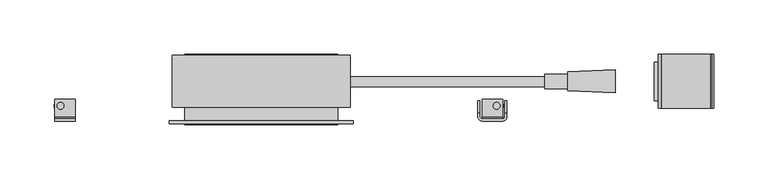
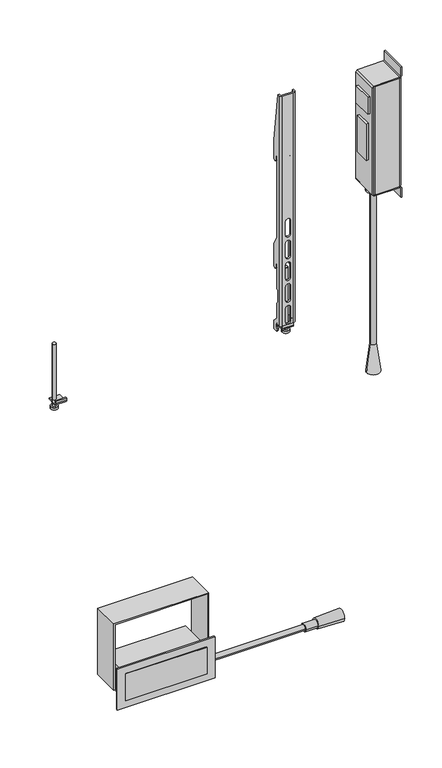
"""IFC4 building model written with IfcOpenShell, lengths in millimetres: furniture geometry."""

import ifcopenshell
import ifcopenshell.guid

model = None  # the IFC model being written
_history = None  # IfcOwnerHistory: only IFC2X3 demands one
_inside = {}  # id of a spatial element -> (the spatial element, [elements in it])
_under = {}  # id of a project, library or spatial element -> (it, [spatial elements below it])
_declared = {}  # id of a project -> (the project, [libraries it declares])
_typed = {}  # id of a type object -> (the type object, [elements of that type])
_made_of = {}  # id of a material, layer set ... -> (it, [elements and type objects made of it])


def new_model(schema):
    """Start an empty IFC model of exactly this schema.

    Asked for "IFC4X3", IfcOpenShell would pick the latest addendum, in which some entities
    have other attributes; the version numbers below select the first issue.
    IFC2X3 requires an IfcOwnerHistory on every rooted entity: one is made here for all.
    """
    global model, _history
    if schema == "IFC4X3":
        model = ifcopenshell.file(schema_version=(4, 3, 0, 0))
    else:
        model = ifcopenshell.file(schema=schema)
    _inside.clear()
    _under.clear()
    _declared.clear()
    _typed.clear()
    _made_of.clear()
    _history = None
    if model.schema == "IFC2X3":
        org = make("IfcOrganization", Name="unknown")
        user = make(
            "IfcPersonAndOrganization",
            ThePerson=make("IfcPerson", FamilyName="unknown"),
            TheOrganization=org,
        )
        app = make(
            "IfcApplication",
            ApplicationDeveloper=org,
            Version="unknown",
            ApplicationFullName="unknown",
            ApplicationIdentifier="unknown",
        )
        _history = make(
            "IfcOwnerHistory",
            OwningUser=user,
            OwningApplication=app,
            ChangeAction="ADDED",
            CreationDate=0,
        )
    return model


def make(cls, **values):
    """One entity of the class cls with the attributes given. An attribute that is None is left unset."""
    return model.create_entity(
        cls, **{name: value for name, value in values.items() if value is not None}
    )


def rooted(cls, **values):
    """An entity with a GlobalId (a new one), such as an element, a storey or a relation."""
    return make(cls, GlobalId=ifcopenshell.guid.new(), OwnerHistory=_history, **values)


def si_unit(unit_type, name, prefix=None):
    """IfcSIUnit, for example si_unit("LENGTHUNIT", "METRE", prefix="MILLI")."""
    return make("IfcSIUnit", UnitType=unit_type, Prefix=prefix, Name=name)


def assignment(units):
    """IfcUnitAssignment: the units of a project."""
    return None if units is None else make("IfcUnitAssignment", Units=units)


def point(xyz):
    """IfcCartesianPoint."""
    return None if xyz is None else make("IfcCartesianPoint", Coordinates=xyz)


def direction(xyz):
    """IfcDirection."""
    return None if xyz is None else make("IfcDirection", DirectionRatios=xyz)


def frame(location, z_axis=None, x_axis=None):
    """IfcAxis2Placement3D, a coordinate frame: its origin and axes. An axis left out is left unset."""
    return make(
        "IfcAxis2Placement3D",
        Location=point(location),
        Axis=direction(z_axis),
        RefDirection=direction(x_axis),
    )


def frame_2d(location, x_axis=None):
    """IfcAxis2Placement2D, a coordinate frame in the plane: its origin and x axis."""
    return make(
        "IfcAxis2Placement2D", Location=point(location), RefDirection=direction(x_axis)
    )


def origin():
    """The frame at (0, 0, 0) with its axes left unset."""
    return frame((0.0, 0.0, 0.0))


def place(relative_to, where):
    """IfcLocalPlacement: puts the frame where relative to a parent placement (None: the world)."""
    return make(
        "IfcLocalPlacement", PlacementRelTo=relative_to, RelativePlacement=where
    )


def context(
    kind, dimensions, precision=None, world=None, true_north=None, identifier=None
):
    """IfcGeometricRepresentationContext, for example the 3D "Model" context."""
    return make(
        "IfcGeometricRepresentationContext",
        ContextIdentifier=identifier,
        ContextType=kind,
        CoordinateSpaceDimension=dimensions,
        Precision=precision,
        WorldCoordinateSystem=world,
        TrueNorth=true_north,
    )


def project(units=None, contexts=None):
    """IfcProject with its units and contexts."""
    return rooted(
        "IfcProject",
        Name="project",
        RepresentationContexts=contexts,
        UnitsInContext=assignment(units),
    )


def spatial(cls, under=None, at=None, **own):
    """A site, building, storey or space (cls), placed at a placement, below another one or the project."""
    s = rooted(cls, ObjectPlacement=at, **own)
    if under is not None:
        _under.setdefault(under.id(), (under, []))[1].append(s)
    return s


def polyline(points):
    """IfcPolyline through the points."""
    return make("IfcPolyline", Points=[point(p) for p in points])


def circle_curve(where, radius):
    """IfcCircle in the frame where."""
    return make("IfcCircle", Position=where, Radius=radius)


def trimmed(basis, trim1, trim2, sense, master):
    """IfcTrimmedCurve: the piece of a basis curve between two trims."""
    return make(
        "IfcTrimmedCurve",
        BasisCurve=basis,
        Trim1=trim1,
        Trim2=trim2,
        SenseAgreement=sense,
        MasterRepresentation=master,
    )


def segment(curve, same_sense, transition):
    """IfcCompositeCurveSegment."""
    return make(
        "IfcCompositeCurveSegment",
        Transition=transition,
        SameSense=same_sense,
        ParentCurve=curve,
    )


def composite_curve(segments, self_intersect=None):
    """IfcCompositeCurve: segments joined end to end."""
    return make("IfcCompositeCurve", Segments=segments, SelfIntersect=self_intersect)


def outline(outer, holes=None, kind="AREA"):
    """IfcArbitraryClosedProfileDef: a profile drawn as a closed curve; with holes, ...WithVoids."""
    if holes is None:
        return make("IfcArbitraryClosedProfileDef", ProfileType=kind, OuterCurve=outer)
    return make(
        "IfcArbitraryProfileDefWithVoids",
        ProfileType=kind,
        OuterCurve=outer,
        InnerCurves=holes,
    )


def extrude(swept, where, along, depth):
    """IfcExtrudedAreaSolid: the profile swept, set in the frame where, extruded along a direction by depth."""
    return make(
        "IfcExtrudedAreaSolid",
        SweptArea=swept,
        Position=where,
        ExtrudedDirection=direction(along),
        Depth=depth,
    )


def shape(context_of_items, identifier, shape_type, items):
    """IfcShapeRepresentation: the items that make up one representation, for example the "Body"."""
    return make(
        "IfcShapeRepresentation",
        ContextOfItems=context_of_items,
        RepresentationIdentifier=identifier,
        RepresentationType=shape_type,
        Items=items,
    )


def source(mapping_origin, context_of_items, identifier, shape_type, items):
    """IfcRepresentationMap: a shape defined once, which mapped items show again and again."""
    return make(
        "IfcRepresentationMap",
        MappingOrigin=mapping_origin,
        MappedRepresentation=shape(context_of_items, identifier, shape_type, items),
    )


def transform(
    local_origin,
    x_axis=None,
    y_axis=None,
    z_axis=None,
    scale=None,
    scale2=None,
    scale3=None,
    uniform=True,
):
    """IfcCartesianTransformationOperator3D, or its non-uniform kind. x_axis, y_axis, z_axis: its Axis1, 2, 3."""
    if uniform:
        return make(
            "IfcCartesianTransformationOperator3D",
            Axis1=direction(x_axis),
            Axis2=direction(y_axis),
            LocalOrigin=point(local_origin),
            Scale=scale,
            Axis3=direction(z_axis),
        )
    return make(
        "IfcCartesianTransformationOperator3DnonUniform",
        Axis1=direction(x_axis),
        Axis2=direction(y_axis),
        LocalOrigin=point(local_origin),
        Scale=scale,
        Axis3=direction(z_axis),
        Scale2=scale2,
        Scale3=scale3,
    )


def mapped(mapping_source, mapping_target):
    """IfcMappedItem: shows the shape of a source again, moved by a transform."""
    return make(
        "IfcMappedItem", MappingSource=mapping_source, MappingTarget=mapping_target
    )


def made_of(thing, what):
    """Note that an element or type object is made of a material, layer set ...; save() writes the relation."""
    if what is not None:
        _made_of.setdefault(what.id(), (what, []))[1].append(thing)
    return thing


def element(
    cls,
    number,
    at=None,
    inside=None,
    cuts=None,
    type_object=None,
    material=None,
    context=None,
    identifier="Body",
    shape_type=None,
    held_by="IfcProductDefinitionShape",
    body=None,
    shapes=None,
    **own,
):
    """One element of the class cls, such as IfcWall. Its Tag is "e" and its number.

    at: its placement. inside: the storey or other place that contains it. cuts: it is an
    opening in that element (IfcRelVoidsElement). A single representation is given by context,
    identifier, shape_type and body (its items); several are given by shapes. held_by: the class
    of the entity that holds the representations. save() writes the other relations.
    """
    e = rooted(cls, Tag="e%d" % number, ObjectPlacement=at, **own)
    if body is not None:
        shapes = [shape(context, identifier, shape_type, body)]
    if shapes is not None:
        e.Representation = make(held_by, Representations=shapes)
    if inside is not None:
        _inside.setdefault(inside.id(), (inside, []))[1].append(e)
    if cuts is not None:
        rooted(
            "IfcRelVoidsElement", RelatingBuildingElement=cuts, RelatedOpeningElement=e
        )
    if type_object is not None:
        _typed.setdefault(type_object.id(), (type_object, []))[1].append(e)
    return made_of(e, material)


def aggregate(whole, parts):
    """IfcRelAggregates: a whole, such as a stair, and the parts it consists of."""
    return rooted("IfcRelAggregates", RelatingObject=whole, RelatedObjects=parts)


def save(model, path):
    """Write the relations noted so far, then the file.

    IfcRelAggregates (storeys below a building ...), IfcRelContainedInSpatialStructure (elements
    in a storey), IfcRelDefinesByType, IfcRelAssociatesMaterial and IfcRelDeclares: one each for
    every whole, place, type object, material and project.
    """
    for whole, parts in _under.values():
        aggregate(whole, parts)
    for where, things in _inside.values():
        rooted(
            "IfcRelContainedInSpatialStructure",
            RelatedElements=things,
            RelatingStructure=where,
        )
    for kind, things in _typed.values():
        rooted("IfcRelDefinesByType", RelatedObjects=things, RelatingType=kind)
    for what, things in _made_of.values():
        rooted("IfcRelAssociatesMaterial", RelatedObjects=things, RelatingMaterial=what)
    for by, libraries in _declared.values():
        rooted("IfcRelDeclares", RelatingContext=by, RelatedDefinitions=libraries)
    model.write(path)


def plane_surface(at):
    """IfcPlane: the flat surface through the origin of the frame at, square to its z axis."""
    return make("IfcPlane", Position=at)


def cylinder_surface(at, radius):
    """IfcCylindricalSurface: all points at the distance radius from the z axis of the frame at."""
    return make("IfcCylindricalSurface", Position=at, Radius=radius)


def revolved_surface(curve, axis_point, axis_direction):
    """IfcSurfaceOfRevolution: the curve turned about the line through axis_point along axis_direction."""
    return make(
        "IfcSurfaceOfRevolution",
        SweptCurve=make("IfcArbitraryOpenProfileDef", ProfileType="CURVE", Curve=curve),
        AxisPosition=make("IfcAxis1Placement", Location=point(axis_point), Axis=direction(axis_direction)),
    )


def advanced_brep(points, edges, surfaces, faces):
    """IfcAdvancedBrep: a solid bounded by faces that lie on surfaces and meet in shared edges.

    An edge is (start, end): straight between two places in points (the first is 0);
    or (start, end, curve); or (start, end, curve, False) where it runs against its curve.
    A face is (place in surfaces, loops), or (place, loops, False) where it looks against
    its surface's normal. A loop lists edges by number (the first is 1), with a minus sign
    where the edge is run from its end to its start. The first loop is the outer one.
    """
    corners = [point(p) for p in points]
    vertices = [make("IfcVertexPoint", VertexGeometry=c) for c in corners]
    made = []
    for start, end, *more in edges:
        made.append(
            make(
                "IfcEdgeCurve",
                EdgeStart=vertices[start],
                EdgeEnd=vertices[end],
                EdgeGeometry=more[0] if more else make("IfcPolyline", Points=[corners[start], corners[end]]),
                SameSense=more[1] if len(more) > 1 else True,
            )
        )
    hull = []
    for where, loops, *sense in faces:
        bounds = []
        for j, loop in enumerate(loops):
            ring = [make("IfcOrientedEdge", EdgeElement=made[abs(k) - 1], Orientation=k > 0) for k in loop]
            bounds.append(
                make(
                    "IfcFaceOuterBound" if j == 0 else "IfcFaceBound",
                    Bound=make("IfcEdgeLoop", EdgeList=ring),
                    Orientation=True,
                )
            )
        hull.append(make("IfcAdvancedFace", Bounds=bounds, FaceSurface=surfaces[where], SameSense=sense[0] if sense else True))
    return make("IfcAdvancedBrep", Outer=make("IfcClosedShell", CfsFaces=hull))


def furniture_7c44034b(model_context):
    return source(origin(), model_context, "Body", "SolidModel", [
        advanced_brep(
        [(309.111625, 10.6200265, 394.7194387), (309.111625, -10.6200265, 394.7194387), (264.9176373, 8.7659933, 394.7194387), (264.9176373, -8.7659933, 394.7194387)],
        [
            (0, 1, circle_curve(frame((309.111625, 0.0, 394.7194387), z_axis=(1.0, 0.0, 0.0), x_axis=(0.0, 1.0, 0.0)), 10.6200265)),
            (1, 0, circle_curve(frame((309.111625, 0.0, 394.7194387), z_axis=(1.0, 0.0, 0.0), x_axis=(0.0, -1.0, 0.0)), 10.6200265)),
            (2, 3, circle_curve(frame((264.9176373, 0.0, 394.7194387), z_axis=(-1.0, 0.0, 0.0), x_axis=(0.0, -1.0, 0.0)), 8.7659933)),
            (3, 2, circle_curve(frame((264.9176373, 0.0, 394.7194387), z_axis=(-1.0, 0.0, 0.0), x_axis=(0.0, 1.0, 0.0)), 8.7659933)),
            (3, 1),
            (0, 2),
        ],
        [
            plane_surface(frame((309.111625, 0.0, 394.7194387), z_axis=(1.0, 0.0, 0.0), x_axis=(0.0, 0.0, 1.0))),
            plane_surface(frame((264.9176373, 0.0, 394.7194387), z_axis=(-1.0, 0.0, 0.0), x_axis=(0.0, 0.0, 1.0))),
            revolved_surface(polyline([(264.9176373, -8.765993322931362, 394.7194387), (309.111625, -10.6200265, 394.7194387)]), (55.9654967, 0.0, 394.7194387), (1.0, 0.0, 0.0)),
            revolved_surface(polyline([(264.9176373, 8.765993322931362, 394.7194387), (309.111625, 10.6200265, 394.7194387)]), (55.9654967, 0.0, 394.7194387), (1.0, 0.0, 0.0)),
        ],
        [
            (0, [[1, 2]]),
            (1, [[3, 4]]),
            (2, [[-4, 5, -1, 6]]),
            (3, [[-3, -6, -2, -5]]),
        ],
    ),
        extrude(outline(composite_curve([segment(trimmed(circle_curve(frame_2d((-0.3825454, 394.7194387)), 6.6512948), [point((6.2687494, 394.7194387))], [point((-7.0338402, 394.7194387))], False, "CARTESIAN"), True, "CONTINUOUS"), segment(trimmed(circle_curve(frame_2d((-0.3825454, 394.7194387)), 6.6512948), [point((-7.0338402, 394.7194387))], [point((6.2687494, 394.7194387))], False, "CARTESIAN"), True, "CONTINUOUS")], self_intersect=False)), frame((243.8698224, 0.0, 0.0), z_axis=(1.0, 0.0, 0.0), x_axis=(0.0, 1.0, 0.0)), (0.0, 0.0, 1.0), 21.057908),
        extrude(outline(composite_curve([segment(polyline([(401.3390565, -56.9301764), (401.3390565, -76.4881759), (391.3920619, -76.4881759)]), True, "CONTINUOUS"), segment(trimmed(circle_curve(frame_2d((391.3920619, -70.1381638)), 6.3500121), [point((391.3920619, -76.4881759))], [point((385.0420498, -70.1381638))], False, "CARTESIAN"), True, "CONTINUOUS"), segment(polyline([(385.0420498, -70.1381638), (385.0420498, -56.9301764), (401.3390565, -56.9301764)]), True, "CONTINUOUS")], self_intersect=False)), frame((0.0, -8.2000672, 0.0), z_axis=(0.0, 1.0, 0.0), x_axis=(0.0, 0.0, 1.0)), (0.0, 0.0, 1.0), 15.6350433),
        extrude(outline(composite_curve([segment(trimmed(circle_curve(frame_2d((-0.3825454, 394.7194387)), 4.6736249), [point((4.2910794, 394.7194387))], [point((-5.0561703, 394.7194387))], False, "CARTESIAN"), True, "CONTINUOUS"), segment(trimmed(circle_curve(frame_2d((-0.3825454, 394.7194387)), 4.6736249), [point((-5.0561703, 394.7194387))], [point((4.2910794, 394.7194387))], False, "CARTESIAN"), True, "CONTINUOUS")], self_intersect=False)), frame((-56.9301764, 0.0, 0.0), z_axis=(1.0, 0.0, 0.0), x_axis=(0.0, 1.0, 0.0)), (0.0, 0.0, 1.0), 300.7999989),
        extrude(outline(polyline([(414.1740652, -98.9364787), (534.1740443, -98.9364787), (534.1740443, 62.0635233), (414.1740652, 62.0635233), (414.1740652, 64.0635284), (536.1740676, 64.0635284), (536.1740676, -100.9364838), (414.1740652, -100.9364838), (414.1740652, -98.9364787)])), frame((0.0, -23.9999999, 0.0), z_axis=(0.0, 1.0, 0.0), x_axis=(0.0, 0.0, 1.0)), (0.0, 0.0, 1.0), 47.9999998),
        extrude(outline(polyline([(52.3415195, -40.0899994), (-89.2144749, -40.0899994), (-89.2144749, 24.7983751), (52.3415195, 24.7983751), (52.3415195, -40.0899994)])), frame((0.0, 0.0, 400.5890659), z_axis=(0.0, 0.0, 1.0), x_axis=(1.0, 0.0, 0.0)), (0.0, 0.0, 1.0), 49.1700002),
        extrude(outline(polyline([(66.5635211, -39.0900013), (-103.4364765, -39.0900013), (-103.4364765, -36.4399996), (66.5635211, -36.4399996), (66.5635211, -39.0900013)])), frame((0.0, 0.0, 387.1740417), z_axis=(0.0, 0.0, 1.0), x_axis=(1.0, 0.0, 0.0)), (0.0, 0.0, 1.0), 76.0000122),
        extrude(outline(polyline([(348.8444832, 17.5999999), (348.8444832, -17.9636269), (345.3445152, -17.9636269), (345.3445152, 17.5999999), (348.8444832, 17.5999999)])), frame((0.0, 0.0, 1314.6940985), z_axis=(0.0, 0.0, 1.0), x_axis=(1.0, 0.0, 0.0)), (0.0, 0.0, 1.0), 31.1999851),
        extrude(outline(polyline([(348.8444832, 13.5000004), (348.8444832, -13.5000004), (345.3445152, -13.5000004), (345.3445152, 13.5000004), (348.8444832, 13.5000004)])), frame((0.0, 0.0, 1227.1440645), z_axis=(0.0, 0.0, 1.0), x_axis=(1.0, 0.0, 0.0)), (0.0, 0.0, 1.0), 66.9999802),
        extrude(outline(composite_curve([segment(trimmed(circle_curve(frame_2d((364.8100633, 0.0)), 11.4644315), [point((353.3456319, 0.0))], [point((376.2744948, 0.0))], False, "CARTESIAN"), True, "CONTINUOUS"), segment(trimmed(circle_curve(frame_2d((364.8100633, 0.0)), 11.4644315), [point((376.2744948, 0.0))], [point((353.3456319, 0.0))], False, "CARTESIAN"), True, "CONTINUOUS")], self_intersect=False)), frame((0.0, 0.0, 1158.2550282), z_axis=(0.0, 0.0, 1.0), x_axis=(1.0, 0.0, 0.0)), (0.0, 0.0, 1.0), 7.6200291),
        extrude(outline(composite_curve([segment(trimmed(circle_curve(frame_2d((364.9080803, 0.0)), 4.8618508), [point((360.0462294, 0.0))], [point((369.7699311, 0.0))], False, "CARTESIAN"), True, "CONTINUOUS"), segment(trimmed(circle_curve(frame_2d((364.9080803, 0.0)), 4.8618508), [point((369.7699311, 0.0))], [point((360.0462294, 0.0))], False, "CARTESIAN"), True, "CONTINUOUS")], self_intersect=False)), frame((0.0, 0.0, 876.1550234), z_axis=(0.0, 0.0, 1.0), x_axis=(1.0, 0.0, 0.0)), (0.0, 0.0, 1.0), 282.1000048),
        extrude(outline(polyline([(1164.3560366, 400.3635043), (1167.3940779, 397.3254993), (1167.3940779, 351.8824882), (1168.9130259, 350.3635039), (1365.8749861, 350.3635039), (1367.3940794, 351.8824882), (1367.3940794, 397.3254993), (1370.4321207, 400.3635043), (1387.3940214, 400.3635043), (1387.3940214, 398.8444836), (1370.4321207, 398.8444836), (1368.9130274, 397.3254993), (1368.9130274, 351.8824882), (1365.8749861, 348.8444832), (1168.9130259, 348.8444832), (1165.8750572, 351.8824882), (1165.8750572, 397.3254993), (1164.3560366, 398.8444836), (1147.3940632, 398.8444836), (1147.3940632, 400.3635043), (1164.3560366, 400.3635043)])), frame((0.0, -25.0000002, 0.0), z_axis=(0.0, 1.0, 0.0), x_axis=(0.0, 0.0, 1.0)), (0.0, 0.0, 1.0), 50.0000004),
        extrude(outline(polyline([(400.3635043, -21.9619998), (397.3254993, -25.0000002), (353.4015089, -25.0000002), (350.3635039, -21.9619998), (350.3635039, 21.9619998), (353.4015089, 25.0000002), (397.3254993, 25.0000002), (400.3635043, 21.9619998), (400.3635043, -21.9619998)])), frame((0.0, 0.0, 1167.769055), z_axis=(0.0, 0.0, 1.0), x_axis=(1.0, 0.0, 0.0)), (0.0, 0.0, 1.0), 199.2500473),
        advanced_brep(
        [(353.5416657, 0.0, 825.3550718), (376.2744948, 0.0, 825.3550718), (360.0462294, 0.0, 876.1550234), (369.7699311, 0.0, 876.1550234)],
        [
            (0, 1, circle_curve(frame((364.9080803, 0.0, 825.3550718), z_axis=(0.0, 0.0, -1.0), x_axis=(-1.0, 0.0, 0.0)), 11.3664146)),
            (1, 0, circle_curve(frame((364.9080803, 0.0, 825.3550718), z_axis=(0.0, 0.0, -1.0), x_axis=(1.0, 0.0, 0.0)), 11.3664146)),
            (2, 3, circle_curve(frame((364.9080803, 0.0, 876.1550234), z_axis=(0.0, 0.0, 1.0), x_axis=(1.0, 0.0, 0.0)), 4.8618508)),
            (3, 2, circle_curve(frame((364.9080803, 0.0, 876.1550234), z_axis=(0.0, 0.0, 1.0), x_axis=(-1.0, 0.0, 0.0)), 4.8618508)),
            (2, 0),
            (1, 3),
        ],
        [
            plane_surface(frame((364.9080803, 0.0, 825.3550718), z_axis=(0.0, 0.0, -1.0), x_axis=(0.0, -1.0, 0.0))),
            plane_surface(frame((364.9080803, 0.0, 876.1550234), z_axis=(0.0, 0.0, 1.0), x_axis=(0.0, -1.0, 0.0))),
            revolved_surface(polyline([(360.0462294598259, 0.0, 876.1550234), (353.5416657, 0.0, 825.3550718)]), (364.9080803, 0.0, 914.1255617), (0.0, 0.0, -1.0)),
            revolved_surface(polyline([(369.7699310974003, 0.0, 876.1550234), (376.2744948, 0.0, 825.3550718)]), (364.9080803, 0.0, 914.1255617), (0.0, 0.0, -1.0)),
        ],
        [
            (0, [[1, 2]]),
            (1, [[3, 4]]),
            (2, [[-3, 5, -2, 6]]),
            (3, [[-4, -6, -1, -5]]),
        ],
    ),
        extrude(outline(composite_curve([segment(polyline([(-36.9636277, 991.8279774), (-34.9636271, 991.8279774), (-34.9636271, 987.8279081)]), True, "CONTINUOUS"), segment(trimmed(circle_curve(frame_2d((-32.9636266, 987.8279081)), 2.0000006), [point((-34.9636271, 987.8279081))], [point((-32.9636266, 985.8279076))], True, "CARTESIAN"), True, "CONTINUOUS"), segment(polyline([(-32.9636266, 985.8279076), (-16.9636278, 985.8279076), (-16.9636278, 983.827957), (-32.9636266, 983.827957)]), True, "CONTINUOUS"), segment(trimmed(circle_curve(frame_2d((-32.9636266, 987.8279581)), 4.0000011), [point((-32.9636266, 983.827957))], [point((-36.9636277, 987.8279581))], False, "CARTESIAN"), True, "CONTINUOUS"), segment(polyline([(-36.9636277, 987.8279581), (-36.9636277, 991.8279774)]), True, "CONTINUOUS")], self_intersect=False)), frame((-209.6576124, 0.0, 0.0), z_axis=(1.0, 0.0, 0.0), x_axis=(0.0, 1.0, 0.0)), (0.0, 0.0, 1.0), 19.0000031),
        extrude(outline(composite_curve([segment(trimmed(circle_curve(frame_2d((-204.1576029, -22.8036272)), 3.1749879), [point((-207.3325908, -22.8036272))], [point((-200.9826151, -22.8036272))], False, "CARTESIAN"), True, "CONTINUOUS"), segment(trimmed(circle_curve(frame_2d((-204.1576029, -22.8036272)), 3.1749879), [point((-200.9826151, -22.8036272))], [point((-207.3325908, -22.8036272))], False, "CARTESIAN"), True, "CONTINUOUS")], self_intersect=False)), frame((0.0, 0.0, 973.8279133), z_axis=(0.0, 0.0, 1.0), x_axis=(1.0, 0.0, 0.0)), (0.0, 0.0, 1.0), 114.3),
        advanced_brep(
        [(181.8882982, -32.9636356, 1415.6279085), (185.8882902, -36.9636277, 1415.6279085), (204.8882842, -36.9636277, 1415.6279085), (208.8882853, -32.9636266, 1415.6279085), (208.8882853, -29.9636247, 1415.6279085), (206.8882984, -29.9636247, 1415.6279085), (206.8882984, -32.9636266, 1415.6279085), (204.8882978, -34.9636271, 1415.6279085), (185.8882902, -34.9636271, 1415.6279085), (183.8882851, -32.963622, 1415.6279085), (183.8882851, -29.9636247, 1415.6279085), (181.8882982, -29.9636247, 1415.6279085), (206.8882984, -17.9636269, 977.3279177), (208.8882853, -17.9636269, 977.3279177), (208.8882853, -24.9636266, 977.3279177), (206.8882984, -24.9636266, 977.3279177), (181.8882982, -17.9636269, 977.3279177), (183.8882851, -17.9636269, 977.3279177), (183.8882851, -24.9636266, 977.3279177), (181.8882982, -24.9636266, 977.3279177), (181.8882982, -17.9636269, 1325.6279783), (181.8882982, -17.9636269, 1291.4779284), (181.8882982, -23.4636273, 1291.4779284), (181.8882982, -23.4636273, 1299.7278608), (181.8882982, -26.4636259, 1299.7278608), (181.8882982, -26.4636259, 1149.7279041), (181.8882982, -17.9636269, 1135.0055308), (181.8882982, -17.9636269, 1093.4779501), (181.8882982, -23.4636273, 1093.4779501), (181.8882982, -23.4636273, 1101.7279552), (181.8882982, -26.4636259, 1101.7279552), (181.8882982, -26.4636259, 1055.2279593), (181.8882982, -29.4636267, 1055.2279593), (181.8882982, -29.4636267, 1033.1510365), (181.8882982, -26.4636259, 1029.7697004), (181.8882982, -26.4636259, 1001.7278977), (181.8882982, -17.9636269, 993.2278975), (181.8882982, -26.9636272, 979.3279182), (181.8882982, -26.9636272, 983.3279148), (181.8882982, -22.963626, 983.3279148), (181.8882982, -22.963626, 987.8279308), (181.8882982, -26.9636726, 991.8279774), (181.8882982, -32.9636356, 991.8279774), (183.8882851, -17.9636269, 993.2278975), (183.8882851, -17.9636269, 1325.6279783), (183.8882851, -17.9636269, 1291.4779284), (183.8882851, -17.9636269, 1135.0055308), (183.8882851, -17.9636269, 1093.4779501), (183.8882851, -32.963622, 991.8279774), (183.8882851, -26.9636726, 991.8279774), (183.8882851, -22.963626, 987.8279308), (183.8882851, -22.963626, 983.3279148), (183.8882851, -26.9636272, 983.3279148), (183.8882851, -26.9636272, 979.3279182), (183.8882851, -26.4636259, 1001.7278977), (183.8882851, -26.4636259, 1029.7697004), (183.8882851, -29.4636267, 1033.1510365), (183.8882851, -29.4636267, 1055.2279593), (183.8882851, -26.4636259, 1055.2279593), (183.8882851, -26.4636259, 1101.7279552), (183.8882851, -23.4636273, 1101.7279552), (183.8882851, -23.4636273, 1093.4779501), (183.8882851, -26.4636259, 1149.7279041), (183.8882851, -26.4636259, 1299.7278608), (183.8882851, -23.4636273, 1299.7278608), (183.8882851, -23.4636273, 1291.4779284), (185.8882902, -34.9636271, 991.8279774), (204.8882978, -34.9636271, 991.8279774), (191.1382968, -34.9636271, 1182.2279108), (191.1382968, -34.9636271, 1157.4278984), (199.6382867, -34.9636271, 1157.4278984), (199.6382867, -34.9636271, 1182.2279108), (191.1382968, -34.9636271, 1142.2279541), (191.1382968, -34.9636271, 1117.4279417), (199.6382867, -34.9636271, 1117.4279417), (199.6382867, -34.9636271, 1142.2279541), (191.1382968, -34.9636271, 1102.2279247), (191.1382968, -34.9636271, 1077.4279123), (199.6382867, -34.9636271, 1077.4279123), (199.6382867, -34.9636271, 1102.2279247), (191.1382968, -34.9636271, 1062.2278954), (191.1382968, -34.9636271, 1037.427883), (199.6382867, -34.9636271, 1037.427883), (199.6382867, -34.9636271, 1062.2278954), (191.1382968, -34.9636271, 1022.2279387), (191.1382968, -34.9636271, 997.4279263), (199.6382867, -34.9636271, 997.4279263), (199.6382867, -34.9636271, 1022.2279387), (206.8882984, -32.9636266, 991.8279774), (206.8882984, -17.9636269, 1325.6279783), (206.8882984, -17.9636269, 1291.4779284), (206.8882984, -23.4636273, 1291.4779284), (206.8882984, -23.4636273, 1299.7278608), (206.8882984, -26.4636259, 1299.7278608), (206.8882984, -26.4636259, 1149.7279041), (206.8882984, -17.9636269, 1135.0055308), (206.8882984, -17.9636269, 1093.4779501), (206.8882984, -23.4636273, 1093.4779501), (206.8882984, -23.4636273, 1101.7279552), (206.8882984, -26.4636259, 1101.7279552), (206.8882984, -26.4636259, 1055.2279593), (206.8882984, -29.4636267, 1055.2279593), (206.8882984, -29.4636267, 1033.1510365), (206.8882984, -26.4636259, 1029.7697004), (206.8882984, -26.4636259, 1001.7278977), (206.8882984, -17.9636269, 993.2278975), (206.8882984, -26.9636272, 979.3279182), (206.8882984, -26.9636272, 983.3279148), (206.8882984, -22.963626, 983.3279148), (206.8882984, -22.963626, 987.8279308), (206.8882984, -26.9636726, 991.8279774), (208.8882853, -17.9636269, 993.2278975), (208.8882853, -17.9636269, 1325.6279783), (208.8882853, -17.9636269, 1291.4779284), (208.8882853, -17.9636269, 1135.0055308), (208.8882853, -17.9636269, 1093.4779501), (208.8882853, -32.9636266, 991.8279774), (208.8882853, -26.9636726, 991.8279774), (208.8882853, -22.963626, 987.8279308), (208.8882853, -22.963626, 983.3279148), (208.8882853, -26.9636272, 983.3279148), (208.8882853, -26.9636272, 979.3279182), (208.8882853, -26.4636259, 1001.7278977), (208.8882853, -26.4636259, 1029.7697004), (208.8882853, -29.4636267, 1033.1510365), (208.8882853, -29.4636267, 1055.2279593), (208.8882853, -26.4636259, 1055.2279593), (208.8882853, -26.4636259, 1101.7279552), (208.8882853, -23.4636273, 1101.7279552), (208.8882853, -23.4636273, 1093.4779501), (208.8882853, -26.4636259, 1149.7279041), (208.8882853, -26.4636259, 1299.7278608), (208.8882853, -23.4636273, 1299.7278608), (208.8882853, -23.4636273, 1291.4779284), (204.8882842, -36.9636277, 991.8279774), (185.8882902, -36.9636277, 991.8279774), (191.1382968, -36.9636277, 1157.4278984), (191.1382968, -36.9636277, 1182.2279108), (199.6382867, -36.9636277, 1182.2279108), (199.6382867, -36.9636277, 1157.4278984), (191.1382968, -36.9636277, 1117.4279417), (191.1382968, -36.9636277, 1142.2279541), (199.6382867, -36.9636277, 1142.2279541), (199.6382867, -36.9636277, 1117.4279417), (191.1382968, -36.9636277, 1077.4279123), (191.1382968, -36.9636277, 1102.2279247), (199.6382867, -36.9636277, 1102.2279247), (199.6382867, -36.9636277, 1077.4279123), (191.1382968, -36.9636277, 1037.427883), (191.1382968, -36.9636277, 1062.2278954), (199.6382867, -36.9636277, 1062.2278954), (199.6382867, -36.9636277, 1037.427883), (191.1382968, -36.9636277, 997.4279263), (191.1382968, -36.9636277, 1022.2279387), (199.6382867, -36.9636277, 1022.2279387), (199.6382867, -36.9636277, 997.4279263)],
        [
            (0, 1, circle_curve(frame((185.8882902, -32.9636356, 1415.6279085), z_axis=(0.0, 0.0, 1.0), x_axis=(-1.0, 0.0, 0.0)), 3.999992)),
            (1, 2),
            (2, 3, circle_curve(frame((204.8882842, -32.9636266, 1415.6279085), z_axis=(0.0, 0.0, 1.0), x_axis=(-1.0, 0.0, 0.0)), 4.0000011)),
            (3, 4),
            (4, 5),
            (5, 6),
            (6, 7, circle_curve(frame((204.8882978, -32.9636266, 1415.6279085), z_axis=(0.0, 0.0, -1.0), x_axis=(-1.0, 0.0, 0.0)), 2.0000006)),
            (7, 8),
            (8, 9, circle_curve(frame((185.8882902, -32.963622, 1415.6279085), z_axis=(0.0, 0.0, -1.0), x_axis=(-1.0, 0.0, 0.0)), 2.0000051)),
            (9, 10),
            (10, 11),
            (11, 0),
            (12, 13),
            (13, 14),
            (14, 15),
            (15, 12),
            (16, 17),
            (17, 18),
            (18, 19),
            (19, 16),
            (11, 20),
            (20, 21),
            (21, 22, circle_curve(frame((181.8882982, -20.7136271, 1291.4779284), z_axis=(-1.0, 0.0, 0.0), x_axis=(0.0, -1.0, 0.0)), 2.7500002)),
            (22, 23),
            (23, 24),
            (24, 25),
            (25, 26),
            (26, 27),
            (27, 28, circle_curve(frame((181.8882982, -20.7136271, 1093.4779501), z_axis=(-1.0, 0.0, 0.0), x_axis=(0.0, -1.0, 0.0)), 2.7500002)),
            (28, 29),
            (29, 30),
            (30, 31),
            (31, 32),
            (32, 33),
            (33, 34),
            (34, 35),
            (35, 36),
            (36, 16),
            (19, 37, circle_curve(frame((181.8882982, -24.9636266, 979.3279182), z_axis=(-1.0, 0.0, 0.0), x_axis=(0.0, -1.0, 0.0)), 2.0000006)),
            (37, 38),
            (38, 39),
            (39, 40),
            (40, 41, circle_curve(frame((181.8882982, -26.9636726, 987.8279308), z_axis=(1.0, 0.0, 0.0), x_axis=(0.0, -1.0, 0.0)), 4.0000465)),
            (41, 42),
            (42, 0),
            (36, 43),
            (43, 17),
            (20, 44),
            (44, 45),
            (45, 21),
            (26, 46),
            (46, 47),
            (47, 27),
            (9, 48),
            (48, 49),
            (49, 50, circle_curve(frame((183.8882851, -26.9636726, 987.8279308), z_axis=(-1.0, 0.0, 0.0), x_axis=(0.0, -1.0, 0.0)), 4.0000465)),
            (50, 51),
            (51, 52),
            (52, 53),
            (53, 18, circle_curve(frame((183.8882851, -24.9636266, 979.3279182), z_axis=(1.0, 0.0, 0.0), x_axis=(0.0, -1.0, 0.0)), 2.0000006)),
            (43, 54),
            (54, 55),
            (55, 56),
            (56, 57),
            (57, 58),
            (58, 59),
            (59, 60),
            (60, 61),
            (61, 47, circle_curve(frame((183.8882851, -20.7136271, 1093.4779501), z_axis=(1.0, 0.0, 0.0), x_axis=(0.0, -1.0, 0.0)), 2.7500002)),
            (46, 62),
            (62, 63),
            (63, 64),
            (64, 65),
            (65, 45, circle_curve(frame((183.8882851, -20.7136271, 1291.4779284), z_axis=(1.0, 0.0, 0.0), x_axis=(0.0, -1.0, 0.0)), 2.7500002)),
            (44, 10),
            (8, 66),
            (66, 48, circle_curve(frame((185.8882902, -32.963622, 991.8279774), z_axis=(0.0, 0.0, -1.0), x_axis=(-1.0, 0.0, 0.0)), 2.0000051)),
            (7, 67),
            (67, 66),
            (68, 69),
            (69, 70, circle_curve(frame((195.3882917, -34.9636271, 1157.4278984), z_axis=(0.0, -1.0, 0.0), x_axis=(-1.0, 0.0, 0.0)), 4.2499949)),
            (70, 71),
            (71, 68, circle_curve(frame((195.3882917, -34.9636271, 1182.2279108), z_axis=(0.0, -1.0, 0.0), x_axis=(-1.0, 0.0, 0.0)), 4.2499949)),
            (72, 73),
            (73, 74, circle_curve(frame((195.3882917, -34.9636271, 1117.4279417), z_axis=(0.0, -1.0, 0.0), x_axis=(-1.0, 0.0, 0.0)), 4.2499949)),
            (74, 75),
            (75, 72, circle_curve(frame((195.3882917, -34.9636271, 1142.2279541), z_axis=(0.0, -1.0, 0.0), x_axis=(-1.0, 0.0, 0.0)), 4.2499949)),
            (76, 77),
            (77, 78, circle_curve(frame((195.3882917, -34.9636271, 1077.4279123), z_axis=(0.0, -1.0, 0.0), x_axis=(-1.0, 0.0, 0.0)), 4.2499949)),
            (78, 79),
            (79, 76, circle_curve(frame((195.3882917, -34.9636271, 1102.2279247), z_axis=(0.0, -1.0, 0.0), x_axis=(-1.0, 0.0, 0.0)), 4.2499949)),
            (80, 81),
            (81, 82, circle_curve(frame((195.3882917, -34.9636271, 1037.427883), z_axis=(0.0, -1.0, 0.0), x_axis=(-1.0, 0.0, 0.0)), 4.2499949)),
            (82, 83),
            (83, 80, circle_curve(frame((195.3882917, -34.9636271, 1062.2278954), z_axis=(0.0, -1.0, 0.0), x_axis=(-1.0, 0.0, 0.0)), 4.2499949)),
            (84, 85),
            (85, 86, circle_curve(frame((195.3882917, -34.9636271, 997.4279263), z_axis=(0.0, -1.0, 0.0), x_axis=(-1.0, 0.0, 0.0)), 4.2499949)),
            (86, 87),
            (87, 84, circle_curve(frame((195.3882917, -34.9636271, 1022.2279387), z_axis=(0.0, -1.0, 0.0), x_axis=(-1.0, 0.0, 0.0)), 4.2499949)),
            (6, 88),
            (88, 67, circle_curve(frame((204.8882978, -32.9636266, 991.8279774), z_axis=(0.0, 0.0, -1.0), x_axis=(-1.0, 0.0, 0.0)), 2.0000006)),
            (5, 89),
            (89, 90),
            (90, 91, circle_curve(frame((206.8882984, -20.7136271, 1291.4779284), z_axis=(-1.0, 0.0, 0.0), x_axis=(0.0, -1.0, 0.0)), 2.7500002)),
            (91, 92),
            (92, 93),
            (93, 94),
            (94, 95),
            (95, 96),
            (96, 97, circle_curve(frame((206.8882984, -20.7136271, 1093.4779501), z_axis=(-1.0, 0.0, 0.0), x_axis=(0.0, -1.0, 0.0)), 2.7500002)),
            (97, 98),
            (98, 99),
            (99, 100),
            (100, 101),
            (101, 102),
            (102, 103),
            (103, 104),
            (104, 105),
            (105, 12),
            (15, 106, circle_curve(frame((206.8882984, -24.9636266, 979.3279182), z_axis=(-1.0, 0.0, 0.0), x_axis=(0.0, -1.0, 0.0)), 2.0000006)),
            (106, 107),
            (107, 108),
            (108, 109),
            (109, 110, circle_curve(frame((206.8882984, -26.9636726, 987.8279308), z_axis=(1.0, 0.0, 0.0), x_axis=(0.0, -1.0, 0.0)), 4.0000465)),
            (110, 88),
            (105, 111),
            (111, 13),
            (89, 112),
            (112, 113),
            (113, 90),
            (95, 114),
            (114, 115),
            (115, 96),
            (3, 116),
            (116, 117),
            (117, 118, circle_curve(frame((208.8882853, -26.9636726, 987.8279308), z_axis=(-1.0, 0.0, 0.0), x_axis=(0.0, -1.0, 0.0)), 4.0000465)),
            (118, 119),
            (119, 120),
            (120, 121),
            (121, 14, circle_curve(frame((208.8882853, -24.9636266, 979.3279182), z_axis=(1.0, 0.0, 0.0), x_axis=(0.0, -1.0, 0.0)), 2.0000006)),
            (111, 122),
            (122, 123),
            (123, 124),
            (124, 125),
            (125, 126),
            (126, 127),
            (127, 128),
            (128, 129),
            (129, 115, circle_curve(frame((208.8882853, -20.7136271, 1093.4779501), z_axis=(1.0, 0.0, 0.0), x_axis=(0.0, -1.0, 0.0)), 2.7500002)),
            (114, 130),
            (130, 131),
            (131, 132),
            (132, 133),
            (133, 113, circle_curve(frame((208.8882853, -20.7136271, 1291.4779284), z_axis=(1.0, 0.0, 0.0), x_axis=(0.0, -1.0, 0.0)), 2.7500002)),
            (112, 4),
            (2, 134),
            (134, 116, circle_curve(frame((204.8882842, -32.9636266, 991.8279774), z_axis=(0.0, 0.0, 1.0), x_axis=(-1.0, 0.0, 0.0)), 4.0000011)),
            (1, 135),
            (135, 134),
            (136, 137),
            (137, 138, circle_curve(frame((195.3882917, -36.9636277, 1182.2279108), z_axis=(0.0, 1.0, 0.0), x_axis=(-1.0, 0.0, 0.0)), 4.2499949)),
            (138, 139),
            (139, 136, circle_curve(frame((195.3882917, -36.9636277, 1157.4278984), z_axis=(0.0, 1.0, 0.0), x_axis=(-1.0, 0.0, 0.0)), 4.2499949)),
            (140, 141),
            (141, 142, circle_curve(frame((195.3882917, -36.9636277, 1142.2279541), z_axis=(0.0, 1.0, 0.0), x_axis=(-1.0, 0.0, 0.0)), 4.2499949)),
            (142, 143),
            (143, 140, circle_curve(frame((195.3882917, -36.9636277, 1117.4279417), z_axis=(0.0, 1.0, 0.0), x_axis=(-1.0, 0.0, 0.0)), 4.2499949)),
            (144, 145),
            (145, 146, circle_curve(frame((195.3882917, -36.9636277, 1102.2279247), z_axis=(0.0, 1.0, 0.0), x_axis=(-1.0, 0.0, 0.0)), 4.2499949)),
            (146, 147),
            (147, 144, circle_curve(frame((195.3882917, -36.9636277, 1077.4279123), z_axis=(0.0, 1.0, 0.0), x_axis=(-1.0, 0.0, 0.0)), 4.2499949)),
            (148, 149),
            (149, 150, circle_curve(frame((195.3882917, -36.9636277, 1062.2278954), z_axis=(0.0, 1.0, 0.0), x_axis=(-1.0, 0.0, 0.0)), 4.2499949)),
            (150, 151),
            (151, 148, circle_curve(frame((195.3882917, -36.9636277, 1037.427883), z_axis=(0.0, 1.0, 0.0), x_axis=(-1.0, 0.0, 0.0)), 4.2499949)),
            (152, 153),
            (153, 154, circle_curve(frame((195.3882917, -36.9636277, 1022.2279387), z_axis=(0.0, 1.0, 0.0), x_axis=(-1.0, 0.0, 0.0)), 4.2499949)),
            (154, 155),
            (155, 152, circle_curve(frame((195.3882917, -36.9636277, 997.4279263), z_axis=(0.0, 1.0, 0.0), x_axis=(-1.0, 0.0, 0.0)), 4.2499949)),
            (42, 135, circle_curve(frame((185.8882902, -32.9636356, 991.8279774), z_axis=(0.0, 0.0, 1.0), x_axis=(-1.0, 0.0, 0.0)), 3.999992)),
            (68, 137),
            (136, 69),
            (71, 138),
            (70, 139),
            (72, 141),
            (140, 73),
            (75, 142),
            (74, 143),
            (76, 145),
            (144, 77),
            (79, 146),
            (78, 147),
            (80, 149),
            (148, 81),
            (83, 150),
            (82, 151),
            (84, 153),
            (152, 85),
            (87, 154),
            (86, 155),
            (24, 63),
            (62, 25),
            (93, 131),
            (130, 94),
            (65, 22),
            (133, 91),
            (64, 23),
            (132, 92),
            (30, 59),
            (58, 31),
            (99, 127),
            (126, 100),
            (57, 32),
            (125, 101),
            (56, 33),
            (124, 102),
            (55, 34),
            (123, 103),
            (54, 35),
            (122, 104),
            (61, 28),
            (129, 97),
            (60, 29),
            (128, 98),
            (41, 49),
            (110, 117),
            (53, 37),
            (121, 106),
            (52, 38),
            (120, 107),
            (51, 39),
            (119, 108),
            (50, 40),
            (118, 109),
        ],
        [
            plane_surface(frame((181.8882982, -32.9636356, 1415.6279085), z_axis=(0.0, 0.0, 1.0), x_axis=(0.0, -1.0, 0.0))),
            plane_surface(frame((181.8882982, -32.9636356, 977.3279177), z_axis=(0.0, 0.0, -1.0), x_axis=(0.0, 1.0, 0.0))),
            plane_surface(frame((181.8882982, -17.9636269, 1415.6279085), z_axis=(-1.0, 0.0, 0.0), x_axis=(0.0, 0.0, -1.0))),
            plane_surface(frame((183.8882851, -17.9636269, 1415.6279085), z_axis=(0.0, 1.0, 0.0), x_axis=(0.0, 0.0, -1.0))),
            plane_surface(frame((183.8882851, -32.963622, 1415.6279085), z_axis=(1.0, 0.0, 0.0), x_axis=(0.0, 0.0, -1.0))),
            revolved_surface(polyline([(183.8882851, -32.963622, 991.8279774), (183.8882851, -32.963622, 1415.6279085)]), (185.8882902, -32.963622, 977.3279177), (0.0, 0.0, -1.0)),
            plane_surface(frame((204.8882978, -34.9636271, 1415.6279085), z_axis=(0.0, 1.0, 0.0), x_axis=(0.0, 0.0, -1.0))),
            revolved_surface(polyline([(202.8882972, -32.9636266, 991.8279774), (202.8882972, -32.9636266, 1415.6279085)]), (204.8882978, -32.9636266, 977.3279177), (0.0, 0.0, -1.0)),
            plane_surface(frame((206.8882984, -17.9636269, 1415.6279085), z_axis=(-1.0, 0.0, 0.0), x_axis=(0.0, 0.0, -1.0))),
            plane_surface(frame((208.8882853, -17.9636269, 1415.6279085), z_axis=(0.0, 1.0, 0.0), x_axis=(0.0, 0.0, -1.0))),
            plane_surface(frame((208.8882853, -32.9636266, 1415.6279085), z_axis=(1.0, 0.0, 0.0), x_axis=(0.0, 0.0, -1.0))),
            cylinder_surface(frame((204.8882842, -32.9636266, 977.3279177), z_axis=(0.0, 0.0, 1.0), x_axis=(-1.0, 0.0, 0.0)), 4.0000011),
            plane_surface(frame((185.8882902, -36.9636277, 1415.6279085), z_axis=(0.0, -1.0, 0.0), x_axis=(0.0, 0.0, -1.0))),
            cylinder_surface(frame((185.8882902, -32.9636356, 977.3279177), z_axis=(0.0, 0.0, 1.0), x_axis=(-1.0, 0.0, 0.0)), 3.999992),
            plane_surface(frame((191.1382968, -43.4479611, 1182.2279108), z_axis=(1.0, 0.0, 0.0), x_axis=(0.0, 1.0, 0.0))),
            revolved_surface(polyline([(191.1382968, -36.9636277, 1182.2279108), (191.1382968, -34.9636271, 1182.2279108)]), (195.3882917, -32.0423365, 1182.2279108), (0.0, -1.0, 0.0)),
            plane_surface(frame((199.6382867, -43.4479611, 1157.4278984), z_axis=(-1.0, 0.0, 0.0), x_axis=(0.0, 1.0, 0.0))),
            revolved_surface(polyline([(191.1382968, -36.9636277, 1157.4278984), (191.1382968, -34.9636271, 1157.4278984)]), (195.3882917, -32.0423365, 1157.4278984), (0.0, -1.0, 0.0)),
            plane_surface(frame((191.1382968, -43.4479611, 1142.2279541), z_axis=(1.0, 0.0, 0.0), x_axis=(0.0, 1.0, 0.0))),
            revolved_surface(polyline([(191.1382968, -36.9636277, 1142.2279541), (191.1382968, -34.9636271, 1142.2279541)]), (195.3882917, 0.0, 1142.2279541), (0.0, -1.0, 0.0)),
            plane_surface(frame((199.6382867, -43.4479611, 1117.4279417), z_axis=(-1.0, 0.0, 0.0), x_axis=(0.0, 1.0, 0.0))),
            revolved_surface(polyline([(191.1382968, -36.9636277, 1117.4279417), (191.1382968, -34.9636271, 1117.4279417)]), (195.3882917, 0.0, 1117.4279417), (0.0, -1.0, 0.0)),
            plane_surface(frame((191.1382968, -43.4479611, 1102.2279247), z_axis=(1.0, 0.0, 0.0), x_axis=(0.0, 1.0, 0.0))),
            revolved_surface(polyline([(191.1382968, -36.9636277, 1102.2279247), (191.1382968, -34.9636271, 1102.2279247)]), (195.3882917, 0.0, 1102.2279247), (0.0, -1.0, 0.0)),
            plane_surface(frame((199.6382867, -43.4479611, 1077.4279123), z_axis=(-1.0, 0.0, 0.0), x_axis=(0.0, 1.0, 0.0))),
            revolved_surface(polyline([(191.1382968, -36.9636277, 1077.4279123), (191.1382968, -34.9636271, 1077.4279123)]), (195.3882917, 0.0, 1077.4279123), (0.0, -1.0, 0.0)),
            plane_surface(frame((191.1382968, -43.4479611, 1062.2278954), z_axis=(1.0, 0.0, 0.0), x_axis=(0.0, 1.0, 0.0))),
            revolved_surface(polyline([(191.1382968, -36.9636277, 1062.2278954), (191.1382968, -34.9636271, 1062.2278954)]), (195.3882917, 0.0, 1062.2278954), (0.0, -1.0, 0.0)),
            plane_surface(frame((199.6382867, -43.4479611, 1037.427883), z_axis=(-1.0, 0.0, 0.0), x_axis=(0.0, 1.0, 0.0))),
            revolved_surface(polyline([(191.1382968, -36.9636277, 1037.427883), (191.1382968, -34.9636271, 1037.427883)]), (195.3882917, 0.0, 1037.427883), (0.0, -1.0, 0.0)),
            plane_surface(frame((191.1382968, -43.4479611, 1022.2279387), z_axis=(1.0, 0.0, 0.0), x_axis=(0.0, 1.0, 0.0))),
            revolved_surface(polyline([(191.1382968, -36.9636277, 1022.2279387), (191.1382968, -34.9636271, 1022.2279387)]), (195.3882917, 0.0, 1022.2279387), (0.0, -1.0, 0.0)),
            plane_surface(frame((199.6382867, -43.4479611, 997.4279263), z_axis=(-1.0, 0.0, 0.0), x_axis=(0.0, 1.0, 0.0))),
            revolved_surface(polyline([(191.1382968, -36.9636277, 997.4279263), (191.1382968, -34.9636271, 997.4279263)]), (195.3882917, 0.0, 997.4279263), (0.0, -1.0, 0.0)),
            plane_surface(frame((226.6458366, -29.9636247, 1415.6279085), z_axis=(0.0, 0.9912278903845622, 0.13216379732653882), x_axis=(-1.0, 0.0, 0.0))),
            plane_surface(frame((226.6458366, -26.4636259, 1299.7278608), z_axis=(0.0, 1.0, 0.0), x_axis=(-1.0, 0.0, 0.0))),
            plane_surface(frame((226.6458366, -26.4636259, 1149.7279041), z_axis=(0.0, 0.8660245695453659, 0.5000014449416761), x_axis=(-1.0, 0.0, 0.0))),
            cylinder_surface(frame((0.0, -20.7136271, 1291.4779284), z_axis=(-1.0, 0.0, 0.0), x_axis=(0.0, -1.0, 0.0)), 2.7500002),
            plane_surface(frame((226.6458366, -23.4636273, 1291.4779284), z_axis=(0.0, -1.0, 0.0), x_axis=(-1.0, 0.0, 0.0))),
            plane_surface(frame((226.6458366, -23.4636273, 1299.7278608), z_axis=(0.0, 0.0, -1.0), x_axis=(-1.0, 0.0, 0.0))),
            plane_surface(frame((226.6458366, -26.4636259, 1101.7279552), z_axis=(0.0, 1.0, 0.0), x_axis=(-1.0, 0.0, 0.0))),
            plane_surface(frame((226.6458366, -26.4636259, 1055.2279593), z_axis=(0.0, 0.0, -1.0), x_axis=(-1.0, 0.0, 0.0))),
            plane_surface(frame((226.6458366, -29.4636267, 1055.2279593), z_axis=(0.0, 1.0, 0.0), x_axis=(-1.0, 0.0, 0.0))),
            plane_surface(frame((226.6458366, -29.4636267, 1033.1510365), z_axis=(0.0, 0.7480275709207617, 0.6636676526262109), x_axis=(-1.0, 0.0, 0.0))),
            plane_surface(frame((226.6458366, -26.4636259, 1029.7697004), z_axis=(0.0, 1.0, 0.0), x_axis=(-1.0, 0.0, 0.0))),
            plane_surface(frame((226.6458366, -26.4636259, 1001.7278977), z_axis=(0.0, 0.7071068328679035, 0.7071067295051878), x_axis=(-1.0, 0.0, 0.0))),
            cylinder_surface(frame((0.0, -20.7136271, 1093.4779501), z_axis=(-1.0, 0.0, 0.0), x_axis=(0.0, -1.0, 0.0)), 2.7500002),
            plane_surface(frame((226.6458366, -23.4636273, 1093.4779501), z_axis=(0.0, -1.0, 0.0), x_axis=(-1.0, 0.0, 0.0))),
            plane_surface(frame((226.6458366, -23.4636273, 1101.7279552), z_axis=(0.0, 0.0, -1.0), x_axis=(-1.0, 0.0, 0.0))),
            plane_surface(frame((226.6458366, -26.9636726, 991.8279774), z_axis=(0.0, 0.0, -1.0), x_axis=(-1.0, 0.0, 0.0))),
            cylinder_surface(frame((0.0, -24.9636266, 979.3279182), z_axis=(-1.0, 0.0, 0.0), x_axis=(0.0, -1.0, 0.0)), 2.0000006),
            plane_surface(frame((226.6458366, -26.9636272, 979.3279182), z_axis=(0.0, -1.0, 0.0), x_axis=(-1.0, 0.0, 0.0))),
            plane_surface(frame((226.6458366, -26.9636272, 983.3279148), z_axis=(0.0, 0.0, 1.0), x_axis=(-1.0, 0.0, 0.0))),
            plane_surface(frame((226.6458366, -22.963626, 983.3279148), z_axis=(0.0, -1.0, 0.0), x_axis=(-1.0, 0.0, 0.0))),
            revolved_surface(polyline([(183.8882851, -30.9637191, 987.8279308), (181.8882982, -30.9637191, 987.8279308)]), (0.0, -26.9636726, 987.8279308), (1.0, 0.0, 0.0)),
            revolved_surface(polyline([(208.8882853, -30.9637191, 987.8279308), (206.8882984, -30.9637191, 987.8279308)]), (0.0, -26.9636726, 987.8279308), (1.0, 0.0, 0.0)),
        ],
        [
            (0, [[1, 2, 3, 4, 5, 6, 7, 8, 9, 10, 11, 12]]),
            (1, [[13, 14, 15, 16]]),
            (1, [[17, 18, 19, 20]]),
            (2, [[-12, 21, 22, 23, 24, 25, 26, 27, 28, 29, 30, 31, 32, 33, 34, 35, 36, 37, 38, -20, 39, 40, 41, 42, 43, 44, 45]]),
            (3, [[-17, -38, 46, 47]]),
            (3, [[-22, 48, 49, 50]]),
            (3, [[-28, 51, 52, 53]]),
            (4, [[-10, 54, 55, 56, 57, 58, 59, 60, -18, -47, 61, 62, 63, 64, 65, 66, 67, 68, 69, -52, 70, 71, 72, 73, 74, -49, 75]]),
            (5, [[-9, 76, 77, -54]]),
            (6, [[-8, 78, 79, -76], [80, 81, 82, 83], [84, 85, 86, 87], [88, 89, 90, 91], [92, 93, 94, 95], [96, 97, 98, 99]]),
            (7, [[-7, 100, 101, -78]]),
            (8, [[-6, 102, 103, 104, 105, 106, 107, 108, 109, 110, 111, 112, 113, 114, 115, 116, 117, 118, 119, -16, 120, 121, 122, 123, 124, 125, -100]]),
            (9, [[-13, -119, 126, 127]]),
            (9, [[-103, 128, 129, 130]]),
            (9, [[-109, 131, 132, 133]]),
            (10, [[-4, 134, 135, 136, 137, 138, 139, 140, -14, -127, 141, 142, 143, 144, 145, 146, 147, 148, 149, -132, 150, 151, 152, 153, 154, -129, 155]]),
            (11, [[-3, 156, 157, -134]]),
            (12, [[-2, 158, 159, -156], [160, 161, 162, 163], [164, 165, 166, 167], [168, 169, 170, 171], [172, 173, 174, 175], [176, 177, 178, 179]]),
            (13, [[-1, -45, 180, -158]]),
            (14, [[181, -160, 182, -80]]),
            (15, [[-181, -83, 183, -161]]),
            (16, [[-183, -82, 184, -162]]),
            (17, [[-184, -81, -182, -163]]),
            (18, [[185, -164, 186, -84]]),
            (19, [[-185, -87, 187, -165]]),
            (20, [[-187, -86, 188, -166]]),
            (21, [[-188, -85, -186, -167]]),
            (22, [[189, -168, 190, -88]]),
            (23, [[-189, -91, 191, -169]]),
            (24, [[-191, -90, 192, -170]]),
            (25, [[-192, -89, -190, -171]]),
            (26, [[193, -172, 194, -92]]),
            (27, [[-193, -95, 195, -173]]),
            (28, [[-195, -94, 196, -174]]),
            (29, [[-196, -93, -194, -175]]),
            (30, [[197, -176, 198, -96]]),
            (31, [[-197, -99, 199, -177]]),
            (32, [[-199, -98, 200, -178]]),
            (33, [[-200, -97, -198, -179]]),
            (34, [[-5, -155, -128, -102]]),
            (34, [[-11, -75, -48, -21]]),
            (35, [[201, -71, 202, -26]]),
            (35, [[203, -151, 204, -107]]),
            (36, [[-202, -70, -51, -27]]),
            (36, [[-204, -150, -131, -108]]),
            (37, [[205, -23, -50, -74]]),
            (37, [[206, -104, -130, -154]]),
            (38, [[-205, -73, 207, -24]]),
            (38, [[-206, -153, 208, -105]]),
            (39, [[-201, -25, -207, -72]]),
            (39, [[-203, -106, -208, -152]]),
            (40, [[209, -66, 210, -32]]),
            (40, [[211, -146, 212, -113]]),
            (41, [[-210, -65, 213, -33]]),
            (41, [[-212, -145, 214, -114]]),
            (42, [[-213, -64, 215, -34]]),
            (42, [[-214, -144, 216, -115]]),
            (43, [[-215, -63, 217, -35]]),
            (43, [[-216, -143, 218, -116]]),
            (44, [[-217, -62, 219, -36]]),
            (44, [[-218, -142, 220, -117]]),
            (45, [[-219, -61, -46, -37]]),
            (45, [[-220, -141, -126, -118]]),
            (46, [[221, -29, -53, -69]]),
            (46, [[222, -110, -133, -149]]),
            (47, [[-221, -68, 223, -30]]),
            (47, [[-222, -148, 224, -111]]),
            (48, [[-209, -31, -223, -67]]),
            (48, [[-211, -112, -224, -147]]),
            (49, [[225, -55, -77, -79, -101, -125, 226, -135, -157, -159, -180, -44]]),
            (50, [[227, -39, -19, -60]]),
            (50, [[228, -120, -15, -140]]),
            (51, [[-227, -59, 229, -40]]),
            (51, [[-228, -139, 230, -121]]),
            (52, [[-229, -58, 231, -41]]),
            (52, [[-230, -138, 232, -122]]),
            (53, [[-231, -57, 233, -42]]),
            (53, [[-232, -137, 234, -123]]),
            (54, [[-225, -43, -233, -56]]),
            (55, [[-226, -124, -234, -136]]),
        ],
    ),
        extrude(outline(composite_curve([segment(polyline([(-36.9636277, 991.8279774), (-34.9636271, 991.8279774), (-34.9636271, 987.8279081)]), True, "CONTINUOUS"), segment(trimmed(circle_curve(frame_2d((-32.9636266, 987.8279081)), 2.0000006), [point((-34.9636271, 987.8279081))], [point((-32.9636266, 985.8279076))], True, "CARTESIAN"), True, "CONTINUOUS"), segment(polyline([(-32.9636266, 985.8279076), (-16.9636278, 985.8279076), (-16.9636278, 983.827957), (-32.9636266, 983.827957)]), True, "CONTINUOUS"), segment(trimmed(circle_curve(frame_2d((-32.9636266, 987.8279581)), 4.0000011), [point((-32.9636266, 983.827957))], [point((-36.9636277, 987.8279581))], False, "CARTESIAN"), True, "CONTINUOUS"), segment(polyline([(-36.9636277, 987.8279581), (-36.9636277, 991.8279774)]), True, "CONTINUOUS")], self_intersect=False)), frame((185.8882902, 0.0, 0.0), z_axis=(1.0, 0.0, 0.0), x_axis=(0.0, 1.0, 0.0)), (0.0, 0.0, 1.0), 19.0000031),
        extrude(outline(composite_curve([segment(trimmed(circle_curve(frame_2d((199.3882838, -22.8036272)), 6.1585259), [point((205.5468096, -22.8036272))], [point((193.2297579, -22.8036272))], False, "CARTESIAN"), True, "CONTINUOUS"), segment(trimmed(circle_curve(frame_2d((199.3882838, -22.8036272)), 6.1585259), [point((193.2297579, -22.8036272))], [point((205.5468096, -22.8036272))], False, "CARTESIAN"), True, "CONTINUOUS")], self_intersect=False)), frame((0.0, 0.0, 969.5809341), z_axis=(0.0, 0.0, 1.0), x_axis=(1.0, 0.0, 0.0)), (0.0, 0.0, 1.0), 4.2469791),
        extrude(outline(composite_curve([segment(trimmed(circle_curve(frame_2d((199.3882838, -22.8036272)), 3.1749879), [point((202.5632717, -22.8036272))], [point((196.2132959, -22.8036272))], False, "CARTESIAN"), True, "CONTINUOUS"), segment(trimmed(circle_curve(frame_2d((199.3882838, -22.8036272)), 3.1749879), [point((196.2132959, -22.8036272))], [point((202.5632717, -22.8036272))], False, "CARTESIAN"), True, "CONTINUOUS")], self_intersect=False)), frame((0.0, 0.0, 973.8279133), z_axis=(0.0, 0.0, 1.0), x_axis=(1.0, 0.0, 0.0)), (0.0, 0.0, 1.0), 114.3),
        extrude(outline(composite_curve([segment(trimmed(circle_curve(frame_2d((-203.9240716, -22.8036272)), 6.1585259), [point((-210.0825975, -22.8036272))], [point((-197.7655457, -22.8036272))], False, "CARTESIAN"), True, "CONTINUOUS"), segment(trimmed(circle_curve(frame_2d((-203.9240716, -22.8036272)), 6.1585259), [point((-197.7655457, -22.8036272))], [point((-210.0825975, -22.8036272))], False, "CARTESIAN"), True, "CONTINUOUS")], self_intersect=False)), frame((0.0, 0.0, 969.5809341), z_axis=(0.0, 0.0, 1.0), x_axis=(1.0, 0.0, 0.0)), (0.0, 0.0, 1.0), 4.2469791),
    ])


if __name__ == "__main__":
    model = new_model("IFC4")
    model_context = context("Model", 3, world=origin())
    ifc_project = project(units=[si_unit("LENGTHUNIT", "METRE", prefix="MILLI")], contexts=[model_context])
    site = spatial("IfcSite", under=ifc_project)
    building = spatial("IfcBuilding", under=site)
    placement = place(None, origin())
    furniture_shape = furniture_7c44034b(model_context)
    element("IfcFurniture", 1, at=placement, inside=building, context=model_context, shape_type="MappedRepresentation", body=[
        mapped(furniture_shape, transform((0.0, 0.0, 0.0), x_axis=(1.0, 0.0, 0.0), y_axis=(0.0, 1.0, 0.0), z_axis=(0.0, 0.0, 1.0))),
    ])
    save(model, "model.ifc")
